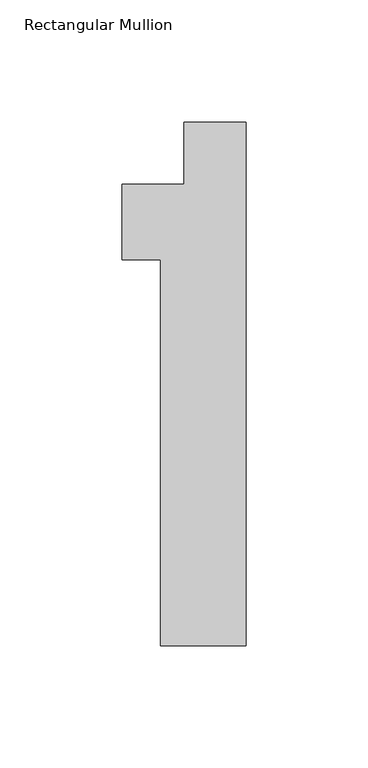
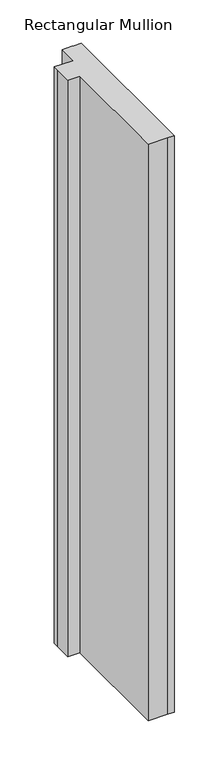
"""IFC4 building model written with IfcOpenShell, lengths in millimetres: member geometry, Rectangular Mullion."""

from ifc_helpers import new_model, si_unit, frame, origin, place, context, project, spatial, polyline, outline, extrude, source, transform, mapped, element, save


def rectangular_mullion_872da806(model_context):
    return source(origin(), model_context, "Body", "SweptSolid", [
        extrude(outline(polyline([(-9.525, 0.0), (0.0, 0.0), (0.0, -214.376), (-9.525, -214.376), (-34.925, -214.376), (-34.925, -56.388), (-50.8, -56.388), (-50.8, -31.75), (-50.8, -25.4), (-25.4000001, -25.4), (-25.4000001, 0.0), (-12.7, 0.0), (-9.525, 0.0)])), frame((0.0, 0.0, -812.8), z_axis=(0.0, 0.0, 1.0), x_axis=(1.0, 0.0, 0.0)), (0.0, 0.0, 1.0), 812.8),
    ])


if __name__ == "__main__":
    model = new_model("IFC4")
    model_context = context("Model", 3, world=origin())
    ifc_project = project(units=[si_unit("LENGTHUNIT", "METRE", prefix="MILLI")], contexts=[model_context])
    site = spatial("IfcSite", under=ifc_project)
    building = spatial("IfcBuilding", under=site)
    placement = place(None, origin())
    rectangular_mullion_shape = rectangular_mullion_872da806(model_context)
    element("IfcMember", 1, ObjectType="Rectangular Mullion", at=placement, inside=building, context=model_context, shape_type="MappedRepresentation", body=[
        mapped(rectangular_mullion_shape, transform((0.0, 0.0, 0.0), x_axis=(1.0, 0.0, 0.0), y_axis=(0.0, 1.0, 0.0), z_axis=(0.0, 0.0, 1.0))),
    ])
    save(model, "model.ifc")
